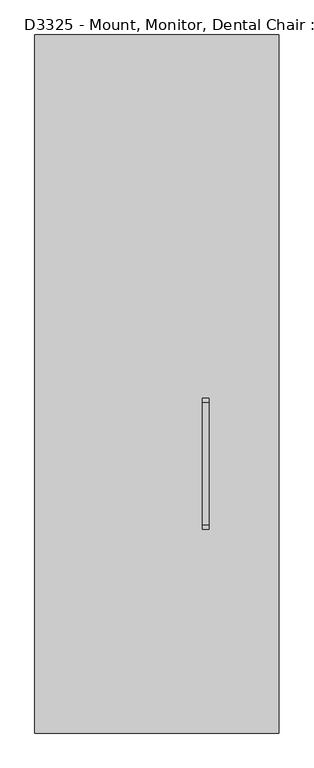
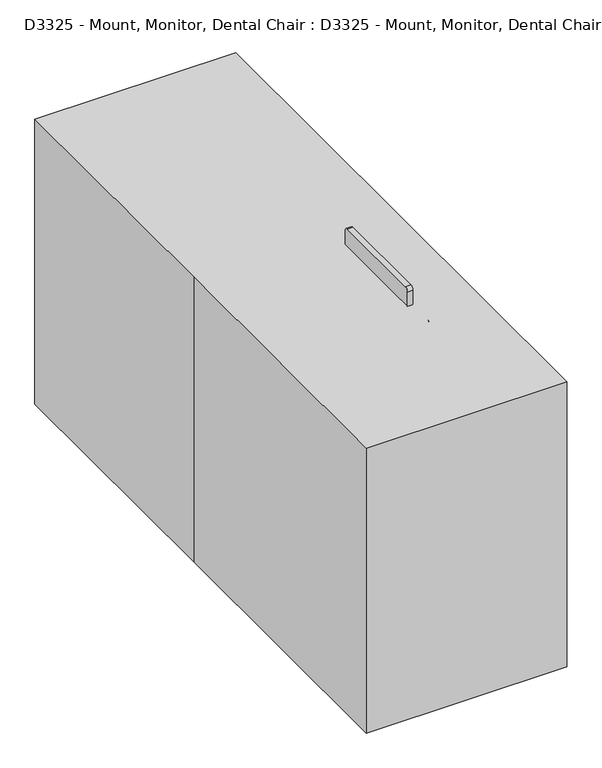
"""IFC4 building model written with IfcOpenShell, lengths in millimetres: proxy geometry, D3325 - Mount, Monitor, Dental Chair : D3325 - Mount, Monitor, Dental Chair."""

from ifc_helpers import new_model, si_unit, point, frame, frame_2d, origin, origin_with_axes, place, context, project, spatial, polyline, circle_curve, ellipse_curve, trimmed, segment, composite_curve, outline, extrude, source, transform, mapped, element, save
from ifc_brep_helpers import plane_surface, cylinder_surface, revolved_surface, advanced_brep


def d3325_mount_monitor_dental_chair_d3325_mount_monitor_dental_8ee9620e(model_context):
    return source(origin(), model_context, "Body", "SolidModel", [
        advanced_brep(
        [(330.2, -282.0868489, 807.4979758), (330.2, -282.0868489, 845.5979758), (330.2, -212.2368489, 877.3479758), (330.2, -250.3368489, 877.3479758)],
        [
            (0, 1, circle_curve(frame((330.2, -282.0868489, 826.5479758), z_axis=(0.0, -1.0, 0.0), x_axis=(0.0, 0.0, 1.0)), 19.05)),
            (1, 0, circle_curve(frame((330.2, -282.0868489, 826.5479758), z_axis=(0.0, -1.0, 0.0), x_axis=(0.0, 0.0, 1.0)), 19.05)),
            (2, 3, circle_curve(frame((330.2, -231.2868489, 877.3479758), z_axis=(0.0, 0.0, 1.0), x_axis=(0.0, -1.0, 0.0)), 19.05)),
            (3, 2, circle_curve(frame((330.2, -231.2868489, 877.3479758), z_axis=(0.0, 0.0, 1.0), x_axis=(0.0, -1.0, 0.0)), 19.05)),
            (3, 1, circle_curve(frame((330.2, -282.0868489, 877.3479758), z_axis=(-1.0, 0.0, 0.0), x_axis=(0.0, 0.0, -1.0)), 31.75)),
            (0, 2, circle_curve(frame((330.2, -282.0868489, 877.3479758), z_axis=(1.0, 0.0, 0.0), x_axis=(0.0, 0.0, -1.0)), 69.85)),
        ],
        [
            plane_surface(frame((330.2, -282.0868489, 826.5479758), z_axis=(0.0, -1.0, 0.0), x_axis=(1.0, 0.0, 0.0))),
            plane_surface(frame((330.2, -231.2868489, 877.3479758), z_axis=(0.0, 0.0, 1.0), x_axis=(1.0, 0.0, 0.0))),
            revolved_surface(trimmed(ellipse_curve(frame((330.2, -282.0868489, 826.5479758), z_axis=(0.0, -1.0, 0.0), x_axis=(0.0, 0.0, 1.0)), 19.05, 19.05), [point((330.2, -282.0868489, 807.4979758))], [point((330.2, -282.0868489, 845.5979758))], True, "CARTESIAN"), (330.2, -282.0868489, 877.3479758), (1.0, 0.0, 0.0)),
            revolved_surface(trimmed(ellipse_curve(frame((330.2, -282.0868489, 826.5479758), z_axis=(0.0, -1.0, 0.0), x_axis=(0.0, 0.0, 1.0)), 19.05, 19.05), [point((330.2, -282.0868489, 845.5979758))], [point((330.2, -282.0868489, 807.4979758))], True, "CARTESIAN"), (330.2, -282.0868489, 877.3479758), (1.0, 0.0, 0.0)),
        ],
        [
            (0, [[1, 2]]),
            (1, [[3, 4]]),
            (2, [[5, -1, 6, -4]]),
            (3, [[-6, -2, -5, -3]]),
        ],
    ),
        extrude(outline(composite_curve([segment(trimmed(circle_curve(frame_2d((826.5479758, 330.2)), 19.05), [point((807.4979758, 330.2))], [point((845.5979758, 330.2))], False, "CARTESIAN"), True, "CONTINUOUS"), segment(trimmed(circle_curve(frame_2d((826.5479758, 330.2)), 19.05), [point((845.5979758, 330.2))], [point((807.4979758, 330.2))], False, "CARTESIAN"), True, "CONTINUOUS")], self_intersect=False)), frame((0.0, -629.7082464, 0.0), z_axis=(0.0, 1.0, 0.0), x_axis=(0.0, 0.0, 1.0)), (0.0, 0.0, 1.0), 347.6213974),
        advanced_brep(
        [(330.2, -629.7082464, 845.5979758), (330.2, -629.7082464, 807.4979758), (330.2, -699.5582464, 775.7479758), (330.2, -661.4582464, 775.7479758)],
        [
            (0, 1, circle_curve(frame((330.2, -629.7082464, 826.5479758), z_axis=(0.0, 1.0, 0.0), x_axis=(0.0, 0.0, -1.0)), 19.05)),
            (1, 0, circle_curve(frame((330.2, -629.7082464, 826.5479758), z_axis=(0.0, 1.0, 0.0), x_axis=(0.0, 0.0, -1.0)), 19.05)),
            (2, 3, circle_curve(frame((330.2, -680.5082464, 775.7479758), z_axis=(0.0, 0.0, -1.0), x_axis=(0.0, 1.0, 0.0)), 19.05)),
            (3, 2, circle_curve(frame((330.2, -680.5082464, 775.7479758), z_axis=(0.0, 0.0, -1.0), x_axis=(0.0, 1.0, 0.0)), 19.05)),
            (3, 1, circle_curve(frame((330.2, -629.7082464, 775.7479758), z_axis=(-1.0, 0.0, 0.0), x_axis=(0.0, 0.0, 1.0)), 31.75)),
            (0, 2, circle_curve(frame((330.2, -629.7082464, 775.7479758), z_axis=(1.0, 0.0, 0.0), x_axis=(0.0, 0.0, 1.0)), 69.85)),
        ],
        [
            plane_surface(frame((330.2, -629.7082464, 826.5479758), z_axis=(0.0, 1.0, 0.0), x_axis=(1.0, 0.0, 0.0))),
            plane_surface(frame((330.2, -680.5082464, 775.7479758), z_axis=(0.0, 0.0, -1.0), x_axis=(1.0, 0.0, 0.0))),
            revolved_surface(trimmed(ellipse_curve(frame((330.2, -629.7082464, 826.5479758), z_axis=(0.0, 1.0, 0.0), x_axis=(0.0, 0.0, -1.0)), 19.05, 19.05), [point((330.2, -629.7082464, 845.5979758))], [point((330.2, -629.7082464, 807.4979758))], True, "CARTESIAN"), (330.2, -629.7082464, 775.7479758), (1.0, 0.0, 0.0)),
            revolved_surface(trimmed(ellipse_curve(frame((330.2, -629.7082464, 826.5479758), z_axis=(0.0, 1.0, 0.0), x_axis=(0.0, 0.0, -1.0)), 19.05, 19.05), [point((330.2, -629.7082464, 807.4979758))], [point((330.2, -629.7082464, 845.5979758))], True, "CARTESIAN"), (330.2, -629.7082464, 775.7479758), (1.0, 0.0, 0.0)),
        ],
        [
            (0, [[1, 2]]),
            (1, [[3, 4]]),
            (2, [[5, -1, 6, -4]]),
            (3, [[-6, -2, -5, -3]]),
        ],
    ),
        extrude(outline(composite_curve([segment(polyline([(-54.312137, 904.4198133), (-409.912137, 904.4198133)]), True, "CONTINUOUS"), segment(trimmed(circle_curve(frame_2d((-409.912137, 917.1198133)), 12.7), [point((-409.912137, 904.4198133))], [point((-422.612137, 917.1198133))], False, "CARTESIAN"), True, "CONTINUOUS"), segment(polyline([(-422.612137, 917.1198133), (-422.612137, 1120.3198133)]), True, "CONTINUOUS"), segment(trimmed(circle_curve(frame_2d((-409.912137, 1120.3198133)), 12.7), [point((-422.612137, 1120.3198133))], [point((-409.912137, 1133.0198133))], False, "CARTESIAN"), True, "CONTINUOUS"), segment(polyline([(-409.912137, 1133.0198133), (-54.312137, 1133.0198133)]), True, "CONTINUOUS"), segment(trimmed(circle_curve(frame_2d((-54.312137, 1120.3198133)), 12.7), [point((-54.312137, 1133.0198133))], [point((-41.612137, 1120.3198133))], False, "CARTESIAN"), True, "CONTINUOUS"), segment(polyline([(-41.612137, 1120.3198133), (-41.612137, 917.1198133)]), True, "CONTINUOUS"), segment(trimmed(circle_curve(frame_2d((-54.312137, 917.1198133)), 12.7), [point((-41.612137, 917.1198133))], [point((-54.312137, 904.4198133))], False, "CARTESIAN"), True, "CONTINUOUS")], self_intersect=False)), frame((133.35, 0.0, 0.0), z_axis=(1.0, 0.0, 0.0), x_axis=(0.0, 1.0, 0.0)), (0.0, 0.0, 1.0), 19.05),
        advanced_brep(
        [(152.4, -231.2868489, 909.123847), (152.4, -231.2868489, 947.223847), (279.4, -231.2868489, 947.223847), (279.4, -231.2868489, 909.123847), (311.15, -231.2868489, 877.373847), (349.25, -231.2868489, 877.373847)],
        [
            (0, 1, circle_curve(frame((152.4, -231.2868489, 928.173847), z_axis=(-1.0, 0.0, 0.0), x_axis=(0.0, 0.0, 1.0)), 19.05)),
            (1, 0, circle_curve(frame((152.4, -231.2868489, 928.173847), z_axis=(-1.0, 0.0, 0.0), x_axis=(0.0, 0.0, 1.0)), 19.05)),
            (1, 2),
            (2, 3, circle_curve(frame((279.4, -231.2868489, 928.173847), z_axis=(-1.0, 0.0, 0.0), x_axis=(0.0, 0.0, 1.0)), 19.05)),
            (3, 0),
            (3, 2, circle_curve(frame((279.4, -231.2868489, 928.173847), z_axis=(-1.0, 0.0, 0.0), x_axis=(0.0, 0.0, 1.0)), 19.05)),
            (4, 5, circle_curve(frame((330.2, -231.2868489, 877.373847), z_axis=(0.0, 0.0, -1.0), x_axis=(1.0, 0.0, 0.0)), 19.05)),
            (5, 4, circle_curve(frame((330.2, -231.2868489, 877.373847), z_axis=(0.0, 0.0, -1.0), x_axis=(1.0, 0.0, 0.0)), 19.05)),
            (4, 3, circle_curve(frame((279.4, -231.2868489, 877.373847), z_axis=(0.0, -1.0, 0.0), x_axis=(0.0, 0.0, 1.0)), 31.75)),
            (2, 5, circle_curve(frame((279.4, -231.2868489, 877.373847), z_axis=(0.0, 1.0, 0.0), x_axis=(0.0, 0.0, 1.0)), 69.85)),
        ],
        [
            plane_surface(frame((152.4, -231.2868489, 928.173847), z_axis=(-1.0, 0.0, 0.0), x_axis=(0.0, -1.0, 0.0))),
            cylinder_surface(frame((152.4, -231.2868489, 928.173847), z_axis=(-1.0, 0.0, 0.0), x_axis=(0.0, 0.0, 1.0)), 19.05),
            plane_surface(frame((330.2, -231.2868489, 877.373847), z_axis=(0.0, 0.0, -1.0), x_axis=(0.0, -1.0, 0.0))),
            revolved_surface(trimmed(ellipse_curve(frame((279.4, -231.2868489, 928.173847), z_axis=(-1.0, 0.0, 0.0), x_axis=(0.0, 0.0, 1.0)), 19.05, 19.05), [point((279.4, -231.2868489, 947.223847))], [point((279.4, -231.2868489, 909.123847))], True, "CARTESIAN"), (279.4, -231.2868489, 877.373847), (0.0, 1.0, 0.0)),
            revolved_surface(trimmed(ellipse_curve(frame((279.4, -231.2868489, 928.173847), z_axis=(-1.0, 0.0, 0.0), x_axis=(0.0, 0.0, 1.0)), 19.05, 19.05), [point((279.4, -231.2868489, 909.123847))], [point((279.4, -231.2868489, 947.223847))], True, "CARTESIAN"), (279.4, -231.2868489, 877.373847), (0.0, 1.0, 0.0)),
        ],
        [
            (0, [[1, 2]]),
            (1, [[-2, 3, 4, 5]]),
            (1, [[-1, -5, 6, -3]]),
            (2, [[7, 8]]),
            (3, [[9, -4, 10, -7]]),
            (4, [[-10, -6, -9, -8]]),
        ],
    ),
        advanced_brep(
        [(152.4, -680.5082464, 147.0979758), (152.4, -680.5082464, 185.1979758), (279.4, -680.5082464, 147.0979758), (279.4, -680.5082464, 185.1979758), (349.25, -680.5082464, 216.9479758), (311.15, -680.5082464, 216.9479758)],
        [
            (0, 1, circle_curve(frame((152.4, -680.5082464, 166.1479758), z_axis=(-1.0, 0.0, 0.0), x_axis=(0.0, 0.0, 1.0)), 19.05)),
            (1, 0, circle_curve(frame((152.4, -680.5082464, 166.1479758), z_axis=(-1.0, 0.0, 0.0), x_axis=(0.0, 0.0, 1.0)), 19.05)),
            (0, 2),
            (2, 3, circle_curve(frame((279.4, -680.5082464, 166.1479758), z_axis=(-1.0, 0.0, 0.0), x_axis=(0.0, 0.0, 1.0)), 19.05)),
            (3, 1),
            (3, 2, circle_curve(frame((279.4, -680.5082464, 166.1479758), z_axis=(-1.0, 0.0, 0.0), x_axis=(0.0, 0.0, 1.0)), 19.05)),
            (4, 5, circle_curve(frame((330.2, -680.5082464, 216.9479758), z_axis=(0.0, 0.0, 1.0), x_axis=(-1.0, 0.0, 0.0)), 19.05)),
            (5, 4, circle_curve(frame((330.2, -680.5082464, 216.9479758), z_axis=(0.0, 0.0, 1.0), x_axis=(-1.0, 0.0, 0.0)), 19.05)),
            (5, 3, circle_curve(frame((279.4, -680.5082464, 216.9479758), z_axis=(0.0, 1.0, 0.0), x_axis=(0.0, 0.0, -1.0)), 31.75)),
            (2, 4, circle_curve(frame((279.4, -680.5082464, 216.9479758), z_axis=(0.0, -1.0, 0.0), x_axis=(0.0, 0.0, -1.0)), 69.85)),
        ],
        [
            plane_surface(frame((152.4, -680.5082464, 166.1479758), z_axis=(-1.0, 0.0, 0.0), x_axis=(0.0, -1.0, 0.0))),
            cylinder_surface(frame((152.4, -680.5082464, 166.1479758), z_axis=(-1.0, 0.0, 0.0), x_axis=(0.0, 0.0, 1.0)), 19.05),
            plane_surface(frame((330.2, -680.5082464, 216.9479758), z_axis=(0.0, 0.0, 1.0), x_axis=(0.0, -1.0, 0.0))),
            revolved_surface(trimmed(ellipse_curve(frame((279.4, -680.5082464, 166.1479758), z_axis=(-1.0, 0.0, 0.0), x_axis=(0.0, 0.0, 1.0)), 19.05, 19.05), [point((279.4, -680.5082464, 147.0979758))], [point((279.4, -680.5082464, 185.1979758))], True, "CARTESIAN"), (279.4, -680.5082464, 216.9479758), (0.0, -1.0, 0.0)),
            revolved_surface(trimmed(ellipse_curve(frame((279.4, -680.5082464, 166.1479758), z_axis=(-1.0, 0.0, 0.0), x_axis=(0.0, 0.0, 1.0)), 19.05, 19.05), [point((279.4, -680.5082464, 185.1979758))], [point((279.4, -680.5082464, 147.0979758))], True, "CARTESIAN"), (279.4, -680.5082464, 216.9479758), (0.0, -1.0, 0.0)),
        ],
        [
            (0, [[1, 2]]),
            (1, [[-1, 3, 4, 5]]),
            (1, [[-2, -5, 6, -3]]),
            (2, [[7, 8]]),
            (3, [[9, -4, 10, -8]]),
            (4, [[-10, -6, -9, -7]]),
        ],
    ),
        extrude(outline(composite_curve([segment(trimmed(circle_curve(frame_2d((330.2, -680.5082464)), 19.05), [point((349.25, -680.5082464))], [point((311.15, -680.5082464))], False, "CARTESIAN"), True, "CONTINUOUS"), segment(trimmed(circle_curve(frame_2d((330.2, -680.5082464)), 19.05), [point((311.15, -680.5082464))], [point((349.25, -680.5082464))], False, "CARTESIAN"), True, "CONTINUOUS")], self_intersect=False)), frame((0.0, 0.0, 216.9479758), z_axis=(0.0, 0.0, 1.0), x_axis=(1.0, 0.0, 0.0)), (0.0, 0.0, 1.0), 558.8),
        extrude(outline(polyline([(-355.6, -1016.0), (-355.6, 38.1), (-355.6, 1016.0), (355.6, 1016.0), (355.6, -1016.0), (-355.6, -1016.0)])), origin_with_axes(), (0.0, 0.0, 1.0), 1066.8),
    ])


if __name__ == "__main__":
    model = new_model("IFC4")
    model_context = context("Model", 3, world=origin())
    ifc_project = project(units=[si_unit("LENGTHUNIT", "METRE", prefix="MILLI")], contexts=[model_context])
    site = spatial("IfcSite", under=ifc_project)
    building = spatial("IfcBuilding", under=site)
    placement = place(None, origin())
    d3325_mount_monitor_dental_chair_d3325_mount_monitor_dental_shape = d3325_mount_monitor_dental_chair_d3325_mount_monitor_dental_8ee9620e(model_context)
    element("IfcBuildingElementProxy", 1, Name="D3325 - Mount, Monitor, Dental Chair : D3325 - Mount, Monitor, Dental Chair", ObjectType="D3325 - Mount, Monitor, Dental Chair : D3325 - Mount, Monitor, Dental Chair", at=placement, inside=building, context=model_context, shape_type="MappedRepresentation", body=[
        mapped(d3325_mount_monitor_dental_chair_d3325_mount_monitor_dental_shape, transform((0.0, 0.0, 0.0), x_axis=(1.0, 0.0, 0.0), y_axis=(0.0, 1.0, 0.0), z_axis=(0.0, 0.0, 1.0))),
    ])
    save(model, "model.ifc")
